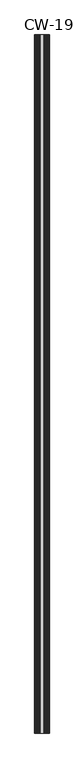
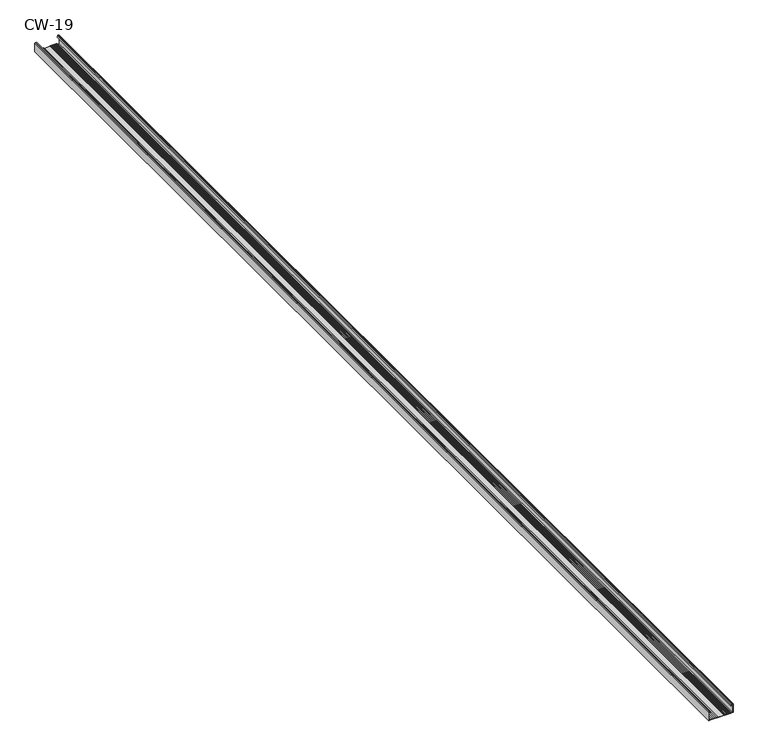
"""IFC4 building model written with IfcOpenShell, lengths in millimetres: proxy geometry, CW-19."""

from ifc_helpers import new_model, si_unit, point, frame, frame_2d, origin, place, context, project, spatial, polyline, circle_curve, trimmed, segment, composite_curve, outline, extrude, source, transform, mapped, element, save


def cw_19_77070b62(model_context):
    return source(origin(), model_context, "Body", "SweptSolid", [
        extrude(outline(composite_curve([segment(trimmed(circle_curve(frame_2d((-1.0, -24.0)), 0.5), [point((-1.0, -24.5))], [point((-0.5, -24.0))], True, "CARTESIAN"), True, "CONTINUOUS"), segment(polyline([(-0.5, -24.0), (-0.5, -21.6466568), (-3.1346768, -21.2973409), (-2.9940841, -20.5), (-0.4479055, -21.1481292)]), True, "CONTINUOUS"), segment(trimmed(circle_curve(frame_2d((-0.7947911, -21.8690108)), 0.8), [point((-0.4479055, -21.1481292))], [point((0.0, -21.7778679))], False, "CARTESIAN"), True, "CONTINUOUS"), segment(polyline([(0.0, -21.7778679), (0.0, -24.0)]), True, "CONTINUOUS"), segment(trimmed(circle_curve(frame_2d((-1.0, -24.0)), 1.0), [point((0.0, -24.0))], [point((-1.0, -25.0))], False, "CARTESIAN"), True, "CONTINUOUS"), segment(polyline([(-1.0, -25.0), (-19.0, -25.0), (-19.0, -20.1), (-17.7, -20.1), (-17.7, -19.2), (-18.5, -19.2), (-18.5, -17.0), (-17.7, -17.0), (-17.7, -16.2), (-18.5, -16.2), (-18.5, -14.0), (-17.7, -14.0), (-17.7, -13.1), (-18.5, -13.1), (-18.5, -10.9), (-17.7, -10.9), (-17.7, -10.1), (-18.5, -10.1), (-18.5, -7.9), (-17.7, -7.9), (-17.7, -7.0), (-19.0, -7.0), (-19.0, 7.0), (-17.7, 7.0), (-17.7, 7.9), (-18.5, 7.9), (-18.5, 10.1), (-17.7, 10.1), (-17.7, 10.9), (-18.5, 10.9), (-18.5, 13.1), (-17.7, 13.1), (-17.7, 14.0), (-18.5, 14.0), (-18.5, 16.2), (-17.7, 16.2), (-17.7, 17.0), (-18.5, 17.0), (-18.5, 19.2), (-17.7, 19.2), (-17.7, 20.1), (-19.0, 20.1), (-19.0, 25.0), (-1.0, 25.0)]), True, "CONTINUOUS"), segment(trimmed(circle_curve(frame_2d((-1.0, 24.0)), 1.0), [point((-1.0, 25.0))], [point((0.0, 24.0))], False, "CARTESIAN"), True, "CONTINUOUS"), segment(polyline([(0.0, 24.0), (0.0, 21.7778679)]), True, "CONTINUOUS"), segment(trimmed(circle_curve(frame_2d((-0.7947911, 21.8690108)), 0.8), [point((0.0, 21.7778679))], [point((-0.4479055, 21.1481292))], False, "CARTESIAN"), True, "CONTINUOUS"), segment(polyline([(-0.4479055, 21.1481292), (-2.9940841, 20.5), (-3.1346768, 21.2973409), (-0.5, 21.6466568), (-0.5, 24.0)]), True, "CONTINUOUS"), segment(trimmed(circle_curve(frame_2d((-1.0, 24.0)), 0.5), [point((-0.5, 24.0))], [point((-1.0, 24.5))], True, "CARTESIAN"), True, "CONTINUOUS"), segment(polyline([(-1.0, 24.5), (-18.5, 24.5), (-18.5, 20.6), (-17.2, 20.6), (-17.2, 18.7), (-18.0, 18.7), (-18.0, 17.5), (-17.2, 17.5), (-17.2, 15.7), (-18.0, 15.7), (-18.0, 14.5), (-17.2, 14.5), (-17.2, 12.6), (-18.0, 12.6), (-18.0, 11.4), (-17.2, 11.4), (-17.2, 9.6), (-18.0, 9.6), (-18.0, 8.4), (-17.2, 8.4), (-17.2, 6.5), (-18.5, 6.5), (-18.5, -6.5), (-17.2, -6.5), (-17.2, -8.4), (-18.0, -8.4), (-18.0, -9.6), (-17.2, -9.6), (-17.2, -11.4), (-18.0, -11.4), (-18.0, -12.6), (-17.2, -12.6), (-17.2, -14.5), (-18.0, -14.5), (-18.0, -15.7), (-17.2, -15.7), (-17.2, -17.5), (-18.0, -17.5), (-18.0, -18.7), (-17.2, -18.7), (-17.2, -20.6), (-18.5, -20.6), (-18.5, -24.5), (-1.0, -24.5)]), True, "CONTINUOUS")], self_intersect=False)), frame((0.0, 0.0, 0.0), z_axis=(0.0, 1.0, 0.0), x_axis=(0.0, 0.0, 1.0)), (0.0, 0.0, 1.0), 2380.0),
    ])


if __name__ == "__main__":
    model = new_model("IFC4")
    model_context = context("Model", 3, world=origin())
    ifc_project = project(units=[si_unit("LENGTHUNIT", "METRE", prefix="MILLI")], contexts=[model_context])
    site = spatial("IfcSite", under=ifc_project)
    building = spatial("IfcBuilding", under=site)
    placement = place(None, origin())
    cw_19_shape = cw_19_77070b62(model_context)
    element("IfcBuildingElementProxy", 1, Name="CW-19", ObjectType="CW-19", at=placement, inside=building, context=model_context, shape_type="MappedRepresentation", body=[
        mapped(cw_19_shape, transform((0.0, 0.0, 0.0), x_axis=(1.0, 0.0, 0.0), y_axis=(0.0, 1.0, 0.0), z_axis=(0.0, 0.0, 1.0))),
    ])
    save(model, "model.ifc")
